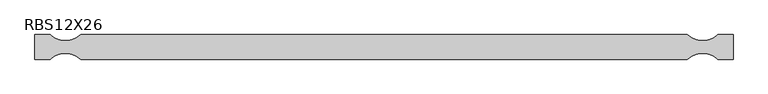
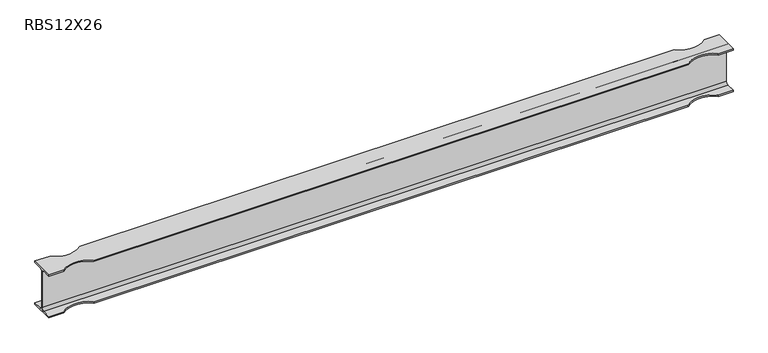
"""IFC4 building model written with IfcOpenShell, lengths in millimetres: beam geometry, RBS12X26."""

from ifc_helpers import new_model, si_unit, frame, origin, place, context, project, spatial, polyline, circle_curve, source, transform, mapped, element, save
from ifc_brep_helpers import plane_surface, revolved_surface, advanced_brep


def rbs12x26_ab70580b(model_context):
    return source(origin(), model_context, "Body", "AdvancedBrep", [
        advanced_brep(
        [(2343.2988281, 82.4011719, -145.5539063), (2343.2988281, 20.2902344, -145.5539063), (2343.2988281, 2.9269531, -128.190625), (2343.2988281, 2.9269531, 128.190625), (2343.2988281, 20.2902344, 145.5539062), (2343.2988281, 82.4011719, 145.5539062), (2343.2988281, 82.4011719, 155.178125), (2343.2988281, -82.4011719, 155.178125), (2343.2988281, -82.4011719, 145.5539062), (2343.2988281, -20.2902344, 145.5539062), (2343.2988281, -2.9269531, 128.190625), (2343.2988281, -2.9269531, -128.190625), (2343.2988281, -20.2902344, -145.5539063), (2343.2988281, -82.4011719, -145.5539063), (2343.2988281, -82.4011719, -155.178125), (2343.2988281, 82.4011719, -155.178125), (-2324.1, 82.4011719, -145.5539063), (-2324.1, 82.4011719, -155.178125), (-2324.1, -82.4011719, -155.178125), (-2324.1, -82.4011719, -145.5539063), (-2324.1, -20.2902344, -145.5539063), (-2324.1, -2.9269531, -128.190625), (-2324.1, -2.9269531, 128.190625), (-2324.1, -20.2902344, 145.5539062), (-2324.1, -82.4011719, 145.5539062), (-2324.1, -82.4011719, 155.178125), (-2324.1, 82.4011719, 155.178125), (-2324.1, 82.4011719, 145.5539062), (-2324.1, 20.2902344, 145.5539062), (-2324.1, 2.9269531, 128.190625), (-2324.1, 2.9269531, -128.190625), (-2324.1, 20.2902344, -145.5539063), (2241.6988281, 82.4011719, -145.5539063), (2038.4988281, 82.4011719, -145.5539063), (-2019.3, 82.4011719, -145.5539063), (-2222.5, 82.4011719, -145.5539063), (-2222.5, 82.4011719, 145.5539062), (-2019.3, 82.4011719, 145.5539062), (2038.4988281, 82.4011719, 145.5539062), (2241.6988281, 82.4011719, 145.5539062), (2241.6988281, 82.4011719, 155.178125), (-2222.5, 82.4011719, 155.178125), (-2019.3, 82.4011719, 155.178125), (2038.4988281, 82.4011719, 155.178125), (-2222.5, -82.4011719, 155.178125), (-2019.3, -82.4011719, 155.178125), (2038.4988281, -82.4011719, 155.178125), (2241.6988281, -82.4011719, 155.178125), (2241.6988281, -82.4011719, 145.5539062), (-2222.5, -82.4011719, 145.5539062), (-2019.3, -82.4011719, 145.5539062), (2038.4988281, -82.4011719, 145.5539062), (-2222.5, -82.4011719, -145.5539063), (-2019.3, -82.4011719, -145.5539063), (2038.4988281, -82.4011719, -145.5539063), (2241.6988281, -82.4011719, -145.5539063), (2241.6988281, -82.4011719, -155.178125), (-2222.5, -82.4011719, -155.178125), (-2019.3, -82.4011719, -155.178125), (2038.4988281, -82.4011719, -155.178125), (-2222.5, 82.4011719, -155.178125), (-2019.3, 82.4011719, -155.178125), (2038.4988281, 82.4011719, -155.178125), (2241.6988281, 82.4011719, -155.178125)],
        [
            (0, 1),
            (1, 2, circle_curve(frame((2343.2988281, 20.2902344, -128.190625), z_axis=(-1.0, 0.0, 0.0), x_axis=(0.0, -1.0, 0.0)), 17.3632812)),
            (2, 3),
            (3, 4, circle_curve(frame((2343.2988281, 20.2902344, 128.190625), z_axis=(-1.0, 0.0, 0.0), x_axis=(0.0, -1.0, 0.0)), 17.3632812)),
            (4, 5),
            (5, 6),
            (6, 7),
            (7, 8),
            (8, 9),
            (9, 10, circle_curve(frame((2343.2988281, -20.2902344, 128.190625), z_axis=(-1.0, 0.0, 0.0), x_axis=(0.0, -1.0, 0.0)), 17.3632812)),
            (10, 11),
            (11, 12, circle_curve(frame((2343.2988281, -20.2902344, -128.190625), z_axis=(-1.0, 0.0, 0.0), x_axis=(0.0, -1.0, 0.0)), 17.3632812)),
            (12, 13),
            (13, 14),
            (14, 15),
            (15, 0),
            (16, 17),
            (17, 18),
            (18, 19),
            (19, 20),
            (20, 21, circle_curve(frame((-2324.1, -20.2902344, -128.190625), z_axis=(1.0, 0.0, 0.0), x_axis=(0.0, -1.0, 0.0)), 17.3632812)),
            (21, 22),
            (22, 23, circle_curve(frame((-2324.1, -20.2902344, 128.190625), z_axis=(1.0, 0.0, 0.0), x_axis=(0.0, -1.0, 0.0)), 17.3632812)),
            (23, 24),
            (24, 25),
            (25, 26),
            (26, 27),
            (27, 28),
            (28, 29, circle_curve(frame((-2324.1, 20.2902344, 128.190625), z_axis=(1.0, 0.0, 0.0), x_axis=(0.0, -1.0, 0.0)), 17.3632812)),
            (29, 30),
            (30, 31, circle_curve(frame((-2324.1, 20.2902344, -128.190625), z_axis=(1.0, 0.0, 0.0), x_axis=(0.0, -1.0, 0.0)), 17.3632812)),
            (31, 16),
            (0, 32),
            (32, 33, circle_curve(frame((2140.0988281, 195.9934251, -145.5539063), z_axis=(0.0, 0.0, -1.0), x_axis=(0.0, 1.0, 0.0)), 152.4)),
            (33, 34),
            (34, 35, circle_curve(frame((-2120.9, 195.9934251, -145.5539063), z_axis=(0.0, 0.0, -1.0), x_axis=(0.0, 1.0, 0.0)), 152.4)),
            (35, 16),
            (31, 1),
            (30, 2),
            (29, 3),
            (28, 4),
            (27, 36),
            (36, 37, circle_curve(frame((-2120.9, 195.9934251, 145.5539062), z_axis=(0.0, 0.0, 1.0), x_axis=(0.0, 1.0, 0.0)), 152.4)),
            (37, 38),
            (38, 39, circle_curve(frame((2140.0988281, 195.9934251, 145.5539062), z_axis=(0.0, 0.0, 1.0), x_axis=(0.0, 1.0, 0.0)), 152.4)),
            (39, 5),
            (39, 40),
            (40, 6),
            (26, 41),
            (41, 36),
            (37, 42),
            (42, 43),
            (43, 38),
            (40, 43, circle_curve(frame((2140.0988281, 195.9934251, 155.178125), z_axis=(0.0, 0.0, -1.0), x_axis=(0.0, 1.0, 0.0)), 152.4)),
            (42, 41, circle_curve(frame((-2120.9, 195.9934251, 155.178125), z_axis=(0.0, 0.0, -1.0), x_axis=(0.0, 1.0, 0.0)), 152.4)),
            (25, 44),
            (44, 45, circle_curve(frame((-2120.9, -195.9934251, 155.178125), z_axis=(0.0, 0.0, -1.0), x_axis=(0.0, 1.0, 0.0)), 152.4)),
            (45, 46),
            (46, 47, circle_curve(frame((2140.0988281, -195.9934251, 155.178125), z_axis=(0.0, 0.0, -1.0), x_axis=(0.0, 1.0, 0.0)), 152.4)),
            (47, 7),
            (47, 48),
            (48, 8),
            (24, 49),
            (49, 44),
            (45, 50),
            (50, 51),
            (51, 46),
            (48, 51, circle_curve(frame((2140.0988281, -195.9934251, 145.5539062), z_axis=(0.0, 0.0, 1.0), x_axis=(0.0, 1.0, 0.0)), 152.4)),
            (50, 49, circle_curve(frame((-2120.9, -195.9934251, 145.5539062), z_axis=(0.0, 0.0, 1.0), x_axis=(0.0, 1.0, 0.0)), 152.4)),
            (23, 9),
            (22, 10),
            (21, 11),
            (20, 12),
            (19, 52),
            (52, 53, circle_curve(frame((-2120.9, -195.9934251, -145.5539063), z_axis=(0.0, 0.0, -1.0), x_axis=(0.0, 1.0, 0.0)), 152.4)),
            (53, 54),
            (54, 55, circle_curve(frame((2140.0988281, -195.9934251, -145.5539063), z_axis=(0.0, 0.0, -1.0), x_axis=(0.0, 1.0, 0.0)), 152.4)),
            (55, 13),
            (55, 56),
            (56, 14),
            (18, 57),
            (57, 52),
            (53, 58),
            (58, 59),
            (59, 54),
            (56, 59, circle_curve(frame((2140.0988281, -195.9934251, -155.178125), z_axis=(0.0, 0.0, 1.0), x_axis=(0.0, 1.0, 0.0)), 152.4)),
            (58, 57, circle_curve(frame((-2120.9, -195.9934251, -155.178125), z_axis=(0.0, 0.0, 1.0), x_axis=(0.0, 1.0, 0.0)), 152.4)),
            (17, 60),
            (60, 61, circle_curve(frame((-2120.9, 195.9934251, -155.178125), z_axis=(0.0, 0.0, 1.0), x_axis=(0.0, 1.0, 0.0)), 152.4)),
            (61, 62),
            (62, 63, circle_curve(frame((2140.0988281, 195.9934251, -155.178125), z_axis=(0.0, 0.0, 1.0), x_axis=(0.0, 1.0, 0.0)), 152.4)),
            (63, 15),
            (63, 32),
            (35, 60),
            (61, 34),
            (33, 62),
        ],
        [
            plane_surface(frame((2343.2988281, 0.0, 0.0), z_axis=(1.0, 0.0, 0.0), x_axis=(0.0, 0.0, 1.0))),
            plane_surface(frame((-2324.1, 0.0, 0.0), z_axis=(-1.0, 0.0, 0.0), x_axis=(0.0, 0.0, 1.0))),
            plane_surface(frame((2343.2988281, 82.4011719, -145.5539063), z_axis=(0.0, 0.0, 1.0), x_axis=(-1.0, 0.0, 0.0))),
            revolved_surface(polyline([(-2324.1000000000004, 2.9269532, -128.190625), (2343.2988281, 2.9269532, -128.190625)]), (2343.2988281, 20.2902344, -128.190625), (-1.0, 0.0, 0.0)),
            plane_surface(frame((2343.2988281, 2.9269531, -128.190625), z_axis=(0.0, 1.0, 0.0), x_axis=(-1.0, 0.0, 0.0))),
            revolved_surface(polyline([(-2324.1000000000004, 2.9269532, 128.190625), (2343.2988281, 2.9269532, 128.190625)]), (2343.2988281, 20.2902344, 128.190625), (-1.0, 0.0, 0.0)),
            plane_surface(frame((2343.2988281, 20.2902344, 145.5539062), z_axis=(0.0, 0.0, -1.0), x_axis=(-1.0, 0.0, 0.0))),
            plane_surface(frame((2343.2988281, 82.4011719, 145.5539062), z_axis=(0.0, 1.0, 0.0), x_axis=(-1.0, 0.0, 0.0))),
            plane_surface(frame((2343.2988281, 82.4011719, 155.178125), z_axis=(0.0, 0.0, 1.0), x_axis=(-1.0, 0.0, 0.0))),
            plane_surface(frame((2343.2988281, -82.4011719, 155.178125), z_axis=(0.0, -1.0, 0.0), x_axis=(-1.0, 0.0, 0.0))),
            plane_surface(frame((2343.2988281, -82.4011719, 145.5539062), z_axis=(0.0, 0.0, -1.0), x_axis=(-1.0, 0.0, 0.0))),
            revolved_surface(polyline([(-2324.1000000000004, -37.6535156, 128.190625), (2343.2988281, -37.6535156, 128.190625)]), (2343.2988281, -20.2902344, 128.190625), (-1.0, 0.0, 0.0)),
            plane_surface(frame((2343.2988281, -2.9269531, 128.190625), z_axis=(0.0, -1.0, 0.0), x_axis=(-1.0, 0.0, 0.0))),
            revolved_surface(polyline([(-2324.1000000000004, -37.6535156, -128.190625), (2343.2988281, -37.6535156, -128.190625)]), (2343.2988281, -20.2902344, -128.190625), (-1.0, 0.0, 0.0)),
            plane_surface(frame((2343.2988281, -20.2902344, -145.5539063), z_axis=(0.0, 0.0, 1.0), x_axis=(-1.0, 0.0, 0.0))),
            plane_surface(frame((2343.2988281, -82.4011719, -145.5539063), z_axis=(0.0, -1.0, 0.0), x_axis=(-1.0, 0.0, 0.0))),
            plane_surface(frame((2343.2988281, -82.4011719, -155.178125), z_axis=(0.0, 0.0, -1.0), x_axis=(-1.0, 0.0, 0.0))),
            plane_surface(frame((2343.2988281, 82.4011719, -155.178125), z_axis=(0.0, 1.0, 0.0), x_axis=(-1.0, 0.0, 0.0))),
            revolved_surface(polyline([(-2120.9, -43.59342509999999, 155.178125), (-2120.9, -43.59342509999999, 145.5539062)]), (-2120.9, -195.9934251, -155.178125), (0.0, 0.0, 1.0)),
            revolved_surface(polyline([(-2120.9, -43.59342509999999, -145.5539063), (-2120.9, -43.59342509999999, -155.178125)]), (-2120.9, -195.9934251, -155.178125), (0.0, 0.0, 1.0)),
            revolved_surface(polyline([(-2120.9, 348.3934251, -145.5539063), (-2120.9, 348.3934251, -155.178125)]), (-2120.9, 195.9934251, -155.178125), (0.0, 0.0, 1.0)),
            revolved_surface(polyline([(-2120.9, 348.3934251, 155.178125), (-2120.9, 348.3934251, 145.5539062)]), (-2120.9, 195.9934251, -155.178125), (0.0, 0.0, 1.0)),
            revolved_surface(polyline([(2140.0988281, -43.59342509999999, 155.178125), (2140.0988281, -43.59342509999999, 145.5539062)]), (2140.0988281, -195.9934251, -155.178125), (0.0, 0.0, 1.0)),
            revolved_surface(polyline([(2140.0988281, -43.59342509999999, -145.5539063), (2140.0988281, -43.59342509999999, -155.178125)]), (2140.0988281, -195.9934251, -155.178125), (0.0, 0.0, 1.0)),
            revolved_surface(polyline([(2140.0988281, 348.3934251, -145.5539063), (2140.0988281, 348.3934251, -155.178125)]), (2140.0988281, 195.9934251, -155.178125), (0.0, 0.0, 1.0)),
            revolved_surface(polyline([(2140.0988281, 348.3934251, 155.178125), (2140.0988281, 348.3934251, 145.5539062)]), (2140.0988281, 195.9934251, -155.178125), (0.0, 0.0, 1.0)),
        ],
        [
            (0, [[1, 2, 3, 4, 5, 6, 7, 8, 9, 10, 11, 12, 13, 14, 15, 16]]),
            (1, [[17, 18, 19, 20, 21, 22, 23, 24, 25, 26, 27, 28, 29, 30, 31, 32]]),
            (2, [[-1, 33, 34, 35, 36, 37, -32, 38]]),
            (3, [[-2, -38, -31, 39]]),
            (4, [[-3, -39, -30, 40]]),
            (5, [[-4, -40, -29, 41]]),
            (6, [[-5, -41, -28, 42, 43, 44, 45, 46]]),
            (7, [[-6, -46, 47, 48]]),
            (7, [[-27, 49, 50, -42]]),
            (7, [[51, 52, 53, -44]]),
            (8, [[-7, -48, 54, -52, 55, -49, -26, 56, 57, 58, 59, 60]]),
            (9, [[-8, -60, 61, 62]]),
            (9, [[-25, 63, 64, -56]]),
            (9, [[65, 66, 67, -58]]),
            (10, [[-9, -62, 68, -66, 69, -63, -24, 70]]),
            (11, [[-10, -70, -23, 71]]),
            (12, [[-11, -71, -22, 72]]),
            (13, [[-12, -72, -21, 73]]),
            (14, [[-13, -73, -20, 74, 75, 76, 77, 78]]),
            (15, [[-14, -78, 79, 80]]),
            (15, [[-19, 81, 82, -74]]),
            (15, [[83, 84, 85, -76]]),
            (16, [[-15, -80, 86, -84, 87, -81, -18, 88, 89, 90, 91, 92]]),
            (17, [[-16, -92, 93, -33]]),
            (17, [[-17, -37, 94, -88]]),
            (17, [[95, -35, 96, -90]]),
            (18, [[-57, -64, -69, -65]]),
            (19, [[-75, -82, -87, -83]]),
            (20, [[-36, -95, -89, -94]]),
            (21, [[-43, -50, -55, -51]]),
            (22, [[-59, -67, -68, -61]]),
            (23, [[-77, -85, -86, -79]]),
            (24, [[-34, -93, -91, -96]]),
            (25, [[-45, -53, -54, -47]]),
        ],
    ),
    ])


if __name__ == "__main__":
    model = new_model("IFC4")
    model_context = context("Model", 3, world=origin())
    ifc_project = project(units=[si_unit("LENGTHUNIT", "METRE", prefix="MILLI")], contexts=[model_context])
    site = spatial("IfcSite", under=ifc_project)
    building = spatial("IfcBuilding", under=site)
    placement = place(None, origin())
    rbs12x26_shape = rbs12x26_ab70580b(model_context)
    element("IfcBeam", 1, ObjectType="RBS12X26", at=placement, inside=building, context=model_context, shape_type="MappedRepresentation", body=[
        mapped(rbs12x26_shape, transform((0.0, 0.0, 0.0), x_axis=(1.0, 0.0, 0.0), y_axis=(0.0, 1.0, 0.0), z_axis=(0.0, 0.0, 1.0))),
    ])
    save(model, "model.ifc")
